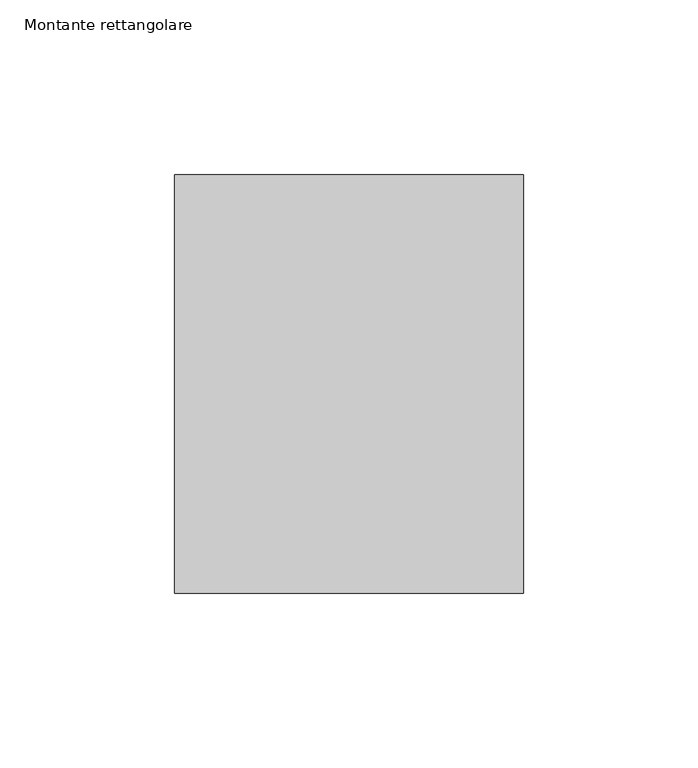
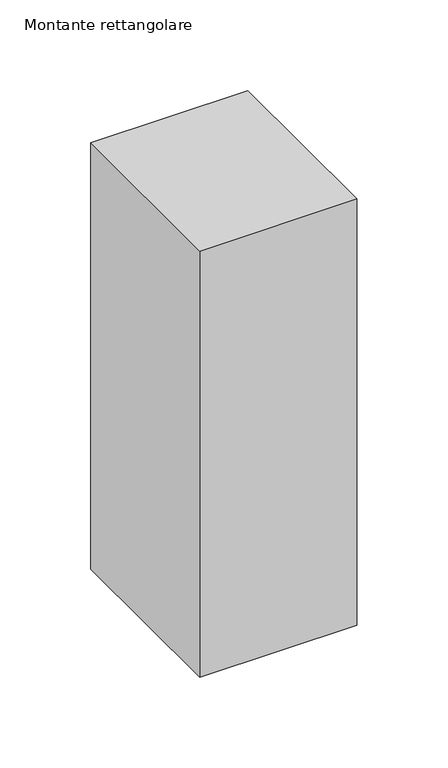
"""IFC4 building model written with IfcOpenShell, lengths in millimetres: member geometry, Montante rettangolare."""

from ifc_helpers import new_model, si_unit, frame, origin, place, context, project, spatial, polyline, outline, extrude, source, transform, mapped, element, save


def montante_rettangolare_f7be23a9(model_context):
    return source(origin(), model_context, "Body", "SweptSolid", [
        extrude(outline(polyline([(50.0, 60.0), (50.0, -60.0), (-50.0, -60.0), (-50.0, 60.0), (50.0, 60.0)])), frame((0.0, 0.0, -286.6785961), z_axis=(0.0, 0.0, 1.0), x_axis=(1.0, 0.0, 0.0)), (0.0, 0.0, 1.0), 286.6785961),
    ])


if __name__ == "__main__":
    model = new_model("IFC4")
    model_context = context("Model", 3, world=origin())
    ifc_project = project(units=[si_unit("LENGTHUNIT", "METRE", prefix="MILLI")], contexts=[model_context])
    site = spatial("IfcSite", under=ifc_project)
    building = spatial("IfcBuilding", under=site)
    placement = place(None, origin())
    montante_rettangolare_shape = montante_rettangolare_f7be23a9(model_context)
    element("IfcMember", 1, ObjectType="Montante rettangolare", at=placement, inside=building, context=model_context, shape_type="MappedRepresentation", body=[
        mapped(montante_rettangolare_shape, transform((0.0, 0.0, 0.0), x_axis=(1.0, 0.0, 0.0), y_axis=(0.0, 1.0, 0.0), z_axis=(0.0, 0.0, 1.0))),
    ])
    save(model, "model.ifc")
